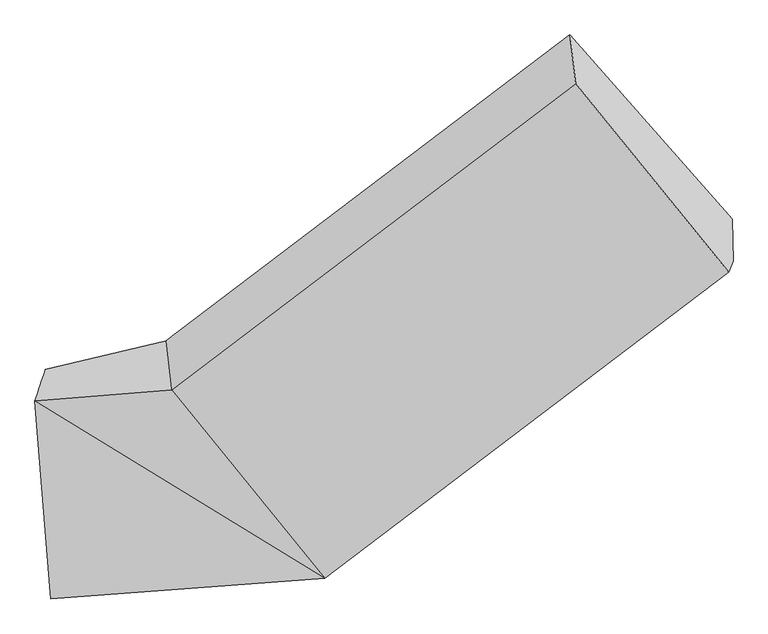
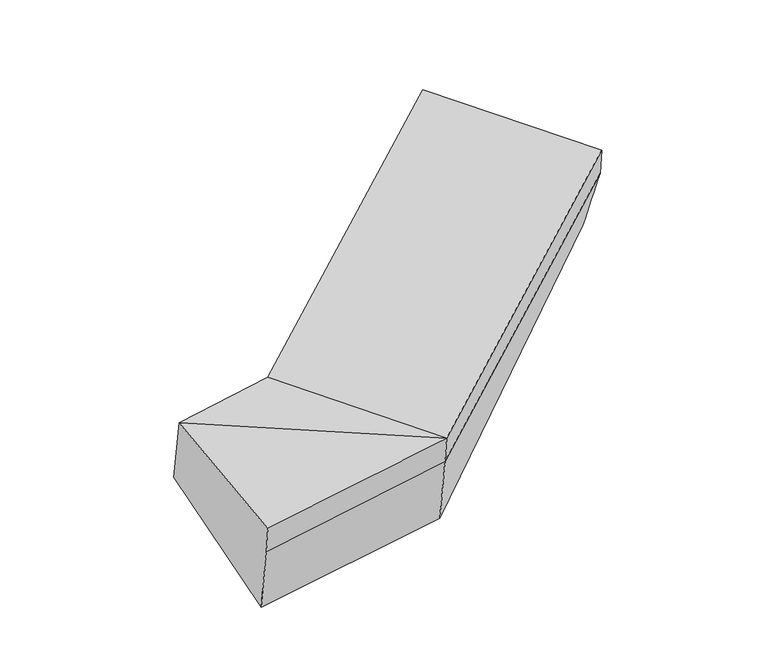
"""IFC4 building model written with IfcOpenShell, lengths in millimetres: proxy geometry."""

from ifc_helpers import new_model, si_unit, frame, origin, place, context, project, spatial, source, transform, mapped, element, save
from ifc_brep_helpers import plane_surface, spline_surface, advanced_brep


def generic_models_9af9e2f4(model_context):
    return source(origin(), model_context, "Body", "AdvancedBrep", [
        advanced_brep(
        [(-936.4847702, -1647.37483, 1665.0840831), (-972.2468318, -1755.3049858, 2032.7847706), (-504.6974078, -1717.0171549, 2086.3979727), (-523.9667823, -1550.3484257, 1722.8851584), (-917.9723471, -2432.3692955, 1863.5565197), (19.3049857, -2363.4302711, 1971.6304916), (-902.6869055, -2392.5970293, 1709.3342057), (34.2652519, -2324.5041017, 1820.6890316), (-866.617239, -2285.6742572, 1339.3658469), (66.8562949, -2220.9628048, 1443.635585), (1417.174867, -1275.8258451, 2228.1961766), (1414.2021132, -1131.9178217, 1867.9517808), (858.9428329, -501.6701691, 2130.3923034), (878.2122073, -668.3388982, 2493.9051177), (1402.2146008, -1314.7520144, 2379.1376366)],
        [
            (0, 1),
            (1, 2),
            (2, 3),
            (3, 0),
            (1, 4),
            (4, 5),
            (5, 1),
            (4, 6),
            (6, 7),
            (7, 5),
            (6, 8),
            (8, 9),
            (9, 7),
            (8, 0),
            (3, 9),
            (10, 11),
            (11, 12),
            (12, 13),
            (13, 14),
            (14, 10),
            (5, 2),
            (9, 11),
            (10, 7),
            (3, 12),
            (2, 13),
            (5, 14),
        ],
        [
            spline_surface(1, 1, [[(-936.4847702, -1647.37483, 1665.0840831), (-523.9667823, -1550.3484257, 1722.8851584)], [(-972.2468318, -1755.3049858, 2032.7847706), (-504.6974078, -1717.0171549, 2086.3979727)]], [2, 2], [2, 2], [0.0, 1.0], [0.0, 1.0]),
            plane_surface(frame((-945.1095894, -2093.8371406, 1948.1706451), z_axis=(-0.09290297771693914, -0.2484389023334244, 0.9641821137828109), x_axis=(0.07753497804447053, -0.9672347280856057, -0.2417546441432057))),
            plane_surface(frame((-910.3296263, -2412.4831624, 1786.4453627), z_axis=(0.09864092399587697, -0.9659164388437759, -0.2393227972521595), x_axis=(0.09553400997263323, 0.24857666326641006, -0.9638894622402959))),
            spline_surface(1, 1, [[(-902.6869055, -2392.5970293, 1709.3342057), (34.2652519, -2324.5041017, 1820.6890316)], [(-866.617239, -2285.6742572, 1339.3658469), (66.8562949, -2220.9628048, 1443.635585)]], [2, 2], [2, 2], [0.0, 1.0], [0.0, 1.0]),
            spline_surface(1, 1, [[(-866.617239, -2285.6742572, 1339.3658469), (66.8562949, -2220.9628048, 1443.635585)], [(-936.4847702, -1647.37483, 1665.0840831), (-523.9667823, -1550.3484257, 1722.8851584)]], [2, 2], [2, 2], [0.0, 1.0], [0.0, 1.0]),
            plane_surface(frame((1194.1493243, -978.5009497, 2219.916603), z_axis=(0.7757134624889577, 0.5882335567259803, 0.2285823852681903), x_axis=(-0.007662999540676391, 0.37095810574692983, -0.9286179850825038))),
            plane_surface(frame((-919.2016187, -2102.6640795, 1722.0250852), z_axis=(-0.992401924684843, -0.051639357707574246, -0.1116771982876035), x_axis=(0.09703823784936765, -0.8865269821802239, -0.4523864390778252))),
            plane_surface(frame((-972.2468318, -1755.3049858, 2032.7847706), z_axis=(-0.0906391151054396, -0.24486129718475394, 0.9653121235921068), x_axis=(0.6238123732757468, -0.7695394240848149, -0.13662795368185804))),
            spline_surface(1, 1, [[(34.2652519, -2324.5041017, 1820.6890316), (1417.174867, -1275.8258451, 2228.1961766)], [(66.8562949, -2220.9628048, 1443.635585), (1414.2021132, -1131.9178217, 1867.9517808)]], [2, 2], [2, 2], [0.0, 1.0], [0.0, 1.0]),
            plane_surface(frame((-228.5552437, -1885.6556153, 1583.2603717), z_axis=(-0.011719102606100068, 0.3755694741356771, -0.9267201480120948), x_axis=(-0.6309764549866343, 0.7161905143458364, 0.29822786659456607))),
            plane_surface(frame((-514.332095, -1633.6827903, 1904.6415655), z_axis=(-0.6292472980956086, 0.693311930098986, 0.35123554122809814), x_axis=(0.048129636948307984, -0.4162929861574527, 0.9079557741009938))),
            plane_surface(frame((-242.6962111, -2040.223713, 2029.0142322), z_axis=(-0.09553400997274414, -0.2485766632665156, 0.9638894622402577), x_axis=(0.6238123732757468, -0.7695394240848148, -0.136627953681858))),
            plane_surface(frame((26.7851188, -2343.9671864, 1896.1597616), z_axis=(0.6238123732757478, -0.7695394240848173, -0.13662795368184028), x_axis=(0.09553400997263385, 0.24857666326641, -0.9638894622402957))),
        ],
        [
            (0, [[1, 2, 3, 4]]),
            (1, [[5, 6, 7]]),
            (2, [[8, 9, 10, -6]]),
            (3, [[11, 12, 13, -9]]),
            (4, [[14, -4, 15, -12]]),
            (5, [[16, 17, 18, 19, 20]]),
            (6, [[-14, -11, -8, -5, -1]]),
            (7, [[21, -2, -7]]),
            (8, [[-13, 22, -16, 23]]),
            (9, [[-15, 24, -17, -22]]),
            (10, [[-3, 25, -18, -24]]),
            (11, [[-21, 26, -19, -25]]),
            (12, [[-10, -23, -20, -26]]),
        ],
    ),
    ])


if __name__ == "__main__":
    model = new_model("IFC4")
    model_context = context("Model", 3, world=origin())
    ifc_project = project(units=[si_unit("LENGTHUNIT", "METRE", prefix="MILLI")], contexts=[model_context])
    site = spatial("IfcSite", under=ifc_project)
    building = spatial("IfcBuilding", under=site)
    placement = place(None, origin())
    generic_models_shape = generic_models_9af9e2f4(model_context)
    element("IfcBuildingElementProxy", 1, Name="Generic Models", at=placement, inside=building, context=model_context, shape_type="MappedRepresentation", body=[
        mapped(generic_models_shape, transform((0.0, 0.0, 0.0), x_axis=(1.0, 0.0, 0.0), y_axis=(0.0, 1.0, 0.0), z_axis=(0.0, 0.0, 1.0))),
    ])
    save(model, "model.ifc")
